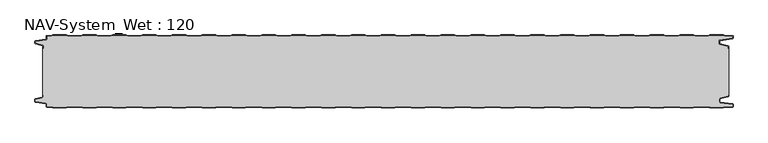
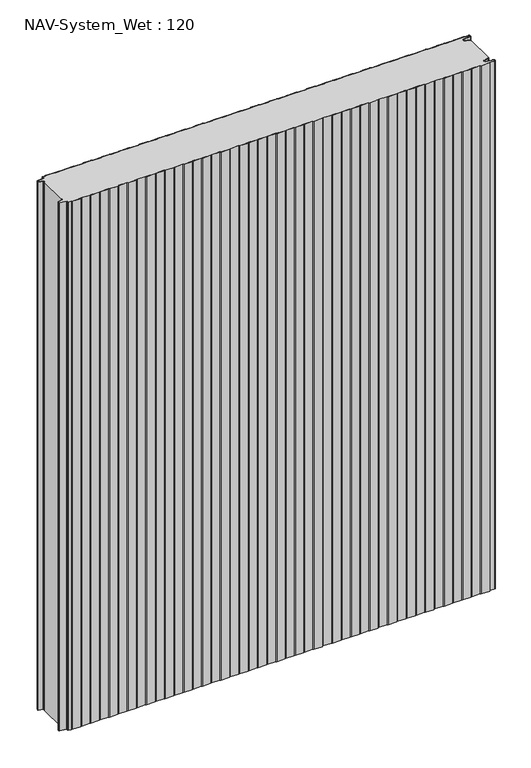
"""IFC4 building model written with IfcOpenShell, lengths in millimetres: plate geometry, NAV-System_Wet : 120."""

import ifcopenshell
import ifcopenshell.guid

model = None  # the IFC model being written
_history = None  # IfcOwnerHistory: only IFC2X3 demands one
_inside = {}  # id of a spatial element -> (the spatial element, [elements in it])
_under = {}  # id of a project, library or spatial element -> (it, [spatial elements below it])
_declared = {}  # id of a project -> (the project, [libraries it declares])
_typed = {}  # id of a type object -> (the type object, [elements of that type])
_made_of = {}  # id of a material, layer set ... -> (it, [elements and type objects made of it])


def new_model(schema):
    """Start an empty IFC model of exactly this schema.

    Asked for "IFC4X3", IfcOpenShell would pick the latest addendum, in which some entities
    have other attributes; the version numbers below select the first issue.
    IFC2X3 requires an IfcOwnerHistory on every rooted entity: one is made here for all.
    """
    global model, _history
    if schema == "IFC4X3":
        model = ifcopenshell.file(schema_version=(4, 3, 0, 0))
    else:
        model = ifcopenshell.file(schema=schema)
    _inside.clear()
    _under.clear()
    _declared.clear()
    _typed.clear()
    _made_of.clear()
    _history = None
    if model.schema == "IFC2X3":
        org = make("IfcOrganization", Name="unknown")
        user = make(
            "IfcPersonAndOrganization",
            ThePerson=make("IfcPerson", FamilyName="unknown"),
            TheOrganization=org,
        )
        app = make(
            "IfcApplication",
            ApplicationDeveloper=org,
            Version="unknown",
            ApplicationFullName="unknown",
            ApplicationIdentifier="unknown",
        )
        _history = make(
            "IfcOwnerHistory",
            OwningUser=user,
            OwningApplication=app,
            ChangeAction="ADDED",
            CreationDate=0,
        )
    return model


def make(cls, **values):
    """One entity of the class cls with the attributes given. An attribute that is None is left unset."""
    return model.create_entity(
        cls, **{name: value for name, value in values.items() if value is not None}
    )


def rooted(cls, **values):
    """An entity with a GlobalId (a new one), such as an element, a storey or a relation."""
    return make(cls, GlobalId=ifcopenshell.guid.new(), OwnerHistory=_history, **values)


def si_unit(unit_type, name, prefix=None):
    """IfcSIUnit, for example si_unit("LENGTHUNIT", "METRE", prefix="MILLI")."""
    return make("IfcSIUnit", UnitType=unit_type, Prefix=prefix, Name=name)


def assignment(units):
    """IfcUnitAssignment: the units of a project."""
    return None if units is None else make("IfcUnitAssignment", Units=units)


def point(xyz):
    """IfcCartesianPoint."""
    return None if xyz is None else make("IfcCartesianPoint", Coordinates=xyz)


def direction(xyz):
    """IfcDirection."""
    return None if xyz is None else make("IfcDirection", DirectionRatios=xyz)


def frame(location, z_axis=None, x_axis=None):
    """IfcAxis2Placement3D, a coordinate frame: its origin and axes. An axis left out is left unset."""
    return make(
        "IfcAxis2Placement3D",
        Location=point(location),
        Axis=direction(z_axis),
        RefDirection=direction(x_axis),
    )


def frame_2d(location, x_axis=None):
    """IfcAxis2Placement2D, a coordinate frame in the plane: its origin and x axis."""
    return make(
        "IfcAxis2Placement2D", Location=point(location), RefDirection=direction(x_axis)
    )


def origin():
    """The frame at (0, 0, 0) with its axes left unset."""
    return frame((0.0, 0.0, 0.0))


def origin_with_axes():
    """The frame at (0, 0, 0) with the z axis (0, 0, 1) and the x axis (1, 0, 0) written out."""
    return frame((0.0, 0.0, 0.0), z_axis=(0.0, 0.0, 1.0), x_axis=(1.0, 0.0, 0.0))


def place(relative_to, where):
    """IfcLocalPlacement: puts the frame where relative to a parent placement (None: the world)."""
    return make(
        "IfcLocalPlacement", PlacementRelTo=relative_to, RelativePlacement=where
    )


def context(
    kind, dimensions, precision=None, world=None, true_north=None, identifier=None
):
    """IfcGeometricRepresentationContext, for example the 3D "Model" context."""
    return make(
        "IfcGeometricRepresentationContext",
        ContextIdentifier=identifier,
        ContextType=kind,
        CoordinateSpaceDimension=dimensions,
        Precision=precision,
        WorldCoordinateSystem=world,
        TrueNorth=true_north,
    )


def project(units=None, contexts=None):
    """IfcProject with its units and contexts."""
    return rooted(
        "IfcProject",
        Name="project",
        RepresentationContexts=contexts,
        UnitsInContext=assignment(units),
    )


def spatial(cls, under=None, at=None, **own):
    """A site, building, storey or space (cls), placed at a placement, below another one or the project."""
    s = rooted(cls, ObjectPlacement=at, **own)
    if under is not None:
        _under.setdefault(under.id(), (under, []))[1].append(s)
    return s


def polyline(points):
    """IfcPolyline through the points."""
    return make("IfcPolyline", Points=[point(p) for p in points])


def circle_curve(where, radius):
    """IfcCircle in the frame where."""
    return make("IfcCircle", Position=where, Radius=radius)


def trimmed(basis, trim1, trim2, sense, master):
    """IfcTrimmedCurve: the piece of a basis curve between two trims."""
    return make(
        "IfcTrimmedCurve",
        BasisCurve=basis,
        Trim1=trim1,
        Trim2=trim2,
        SenseAgreement=sense,
        MasterRepresentation=master,
    )


def segment(curve, same_sense, transition):
    """IfcCompositeCurveSegment."""
    return make(
        "IfcCompositeCurveSegment",
        Transition=transition,
        SameSense=same_sense,
        ParentCurve=curve,
    )


def composite_curve(segments, self_intersect=None):
    """IfcCompositeCurve: segments joined end to end."""
    return make("IfcCompositeCurve", Segments=segments, SelfIntersect=self_intersect)


def outline(outer, holes=None, kind="AREA"):
    """IfcArbitraryClosedProfileDef: a profile drawn as a closed curve; with holes, ...WithVoids."""
    if holes is None:
        return make("IfcArbitraryClosedProfileDef", ProfileType=kind, OuterCurve=outer)
    return make(
        "IfcArbitraryProfileDefWithVoids",
        ProfileType=kind,
        OuterCurve=outer,
        InnerCurves=holes,
    )


def extrude(swept, where, along, depth):
    """IfcExtrudedAreaSolid: the profile swept, set in the frame where, extruded along a direction by depth."""
    return make(
        "IfcExtrudedAreaSolid",
        SweptArea=swept,
        Position=where,
        ExtrudedDirection=direction(along),
        Depth=depth,
    )


def shape(context_of_items, identifier, shape_type, items):
    """IfcShapeRepresentation: the items that make up one representation, for example the "Body"."""
    return make(
        "IfcShapeRepresentation",
        ContextOfItems=context_of_items,
        RepresentationIdentifier=identifier,
        RepresentationType=shape_type,
        Items=items,
    )


def source(mapping_origin, context_of_items, identifier, shape_type, items):
    """IfcRepresentationMap: a shape defined once, which mapped items show again and again."""
    return make(
        "IfcRepresentationMap",
        MappingOrigin=mapping_origin,
        MappedRepresentation=shape(context_of_items, identifier, shape_type, items),
    )


def transform(
    local_origin,
    x_axis=None,
    y_axis=None,
    z_axis=None,
    scale=None,
    scale2=None,
    scale3=None,
    uniform=True,
):
    """IfcCartesianTransformationOperator3D, or its non-uniform kind. x_axis, y_axis, z_axis: its Axis1, 2, 3."""
    if uniform:
        return make(
            "IfcCartesianTransformationOperator3D",
            Axis1=direction(x_axis),
            Axis2=direction(y_axis),
            LocalOrigin=point(local_origin),
            Scale=scale,
            Axis3=direction(z_axis),
        )
    return make(
        "IfcCartesianTransformationOperator3DnonUniform",
        Axis1=direction(x_axis),
        Axis2=direction(y_axis),
        LocalOrigin=point(local_origin),
        Scale=scale,
        Axis3=direction(z_axis),
        Scale2=scale2,
        Scale3=scale3,
    )


def mapped(mapping_source, mapping_target):
    """IfcMappedItem: shows the shape of a source again, moved by a transform."""
    return make(
        "IfcMappedItem", MappingSource=mapping_source, MappingTarget=mapping_target
    )


def made_of(thing, what):
    """Note that an element or type object is made of a material, layer set ...; save() writes the relation."""
    if what is not None:
        _made_of.setdefault(what.id(), (what, []))[1].append(thing)
    return thing


def element(
    cls,
    number,
    at=None,
    inside=None,
    cuts=None,
    type_object=None,
    material=None,
    context=None,
    identifier="Body",
    shape_type=None,
    held_by="IfcProductDefinitionShape",
    body=None,
    shapes=None,
    **own,
):
    """One element of the class cls, such as IfcWall. Its Tag is "e" and its number.

    at: its placement. inside: the storey or other place that contains it. cuts: it is an
    opening in that element (IfcRelVoidsElement). A single representation is given by context,
    identifier, shape_type and body (its items); several are given by shapes. held_by: the class
    of the entity that holds the representations. save() writes the other relations.
    """
    e = rooted(cls, Tag="e%d" % number, ObjectPlacement=at, **own)
    if body is not None:
        shapes = [shape(context, identifier, shape_type, body)]
    if shapes is not None:
        e.Representation = make(held_by, Representations=shapes)
    if inside is not None:
        _inside.setdefault(inside.id(), (inside, []))[1].append(e)
    if cuts is not None:
        rooted(
            "IfcRelVoidsElement", RelatingBuildingElement=cuts, RelatedOpeningElement=e
        )
    if type_object is not None:
        _typed.setdefault(type_object.id(), (type_object, []))[1].append(e)
    return made_of(e, material)


def aggregate(whole, parts):
    """IfcRelAggregates: a whole, such as a stair, and the parts it consists of."""
    return rooted("IfcRelAggregates", RelatingObject=whole, RelatedObjects=parts)


def save(model, path):
    """Write the relations noted so far, then the file.

    IfcRelAggregates (storeys below a building ...), IfcRelContainedInSpatialStructure (elements
    in a storey), IfcRelDefinesByType, IfcRelAssociatesMaterial and IfcRelDeclares: one each for
    every whole, place, type object, material and project.
    """
    for whole, parts in _under.values():
        aggregate(whole, parts)
    for where, things in _inside.values():
        rooted(
            "IfcRelContainedInSpatialStructure",
            RelatedElements=things,
            RelatingStructure=where,
        )
    for kind, things in _typed.values():
        rooted("IfcRelDefinesByType", RelatedObjects=things, RelatingType=kind)
    for what, things in _made_of.values():
        rooted("IfcRelAssociatesMaterial", RelatedObjects=things, RelatingMaterial=what)
    for by, libraries in _declared.values():
        rooted("IfcRelDeclares", RelatingContext=by, RelatedDefinitions=libraries)
    model.write(path)


def nav_system_wet_120_096724c9(model_context):
    return source(origin(), model_context, "Body", "SweptSolid", [
        extrude(outline(composite_curve([segment(polyline([(430.3684327, -0.8), (427.3684327, 0.2), (405.3684327, 0.2), (402.3684327, -0.8), (380.3684327, -0.8), (377.3684327, 0.2), (355.3684327, 0.2), (352.3684327, -0.8), (330.3684327, -0.8), (327.3684327, 0.2), (305.3684327, 0.2), (302.3684327, -0.8), (280.3684327, -0.8), (277.3684327, 0.2), (255.3684327, 0.2), (252.3684327, -0.8), (230.3684327, -0.8), (227.3684327, 0.2), (205.3684327, 0.2), (202.3684327, -0.8), (180.3684327, -0.8), (177.3684327, 0.2), (155.3684327, 0.2), (152.3684327, -0.8), (130.3684327, -0.8), (127.3684327, 0.2), (105.3684327, 0.2), (102.3684327, -0.8), (80.3684327, -0.8), (77.3684327, 0.2), (55.3684327, 0.2), (52.3684327, -0.8), (30.3684327, -0.8), (27.3684327, 0.2), (5.3684327, 0.2), (2.3684327, -0.8), (-19.6315673, -0.8), (-22.6315673, 0.2), (-44.6315673, 0.2), (-47.6315673, -0.8), (-69.6315673, -0.8), (-72.6315673, 0.2), (-94.6315673, 0.2), (-97.6315673, -0.8), (-119.6315673, -0.8), (-122.6315673, 0.2), (-144.6315673, 0.2), (-147.6315673, -0.8), (-169.6315673, -0.8), (-172.6315673, 0.2), (-194.6315673, 0.2), (-197.6315673, -0.8), (-219.6315673, -0.8), (-222.6315673, 0.2), (-244.6315673, 0.2), (-247.6315673, -0.8), (-269.6315673, -0.8), (-272.6315673, 0.2), (-294.6315673, 0.2), (-297.6315673, -0.8), (-319.6315673, -0.8), (-322.6315673, 0.2), (-344.6315673, 0.2), (-347.6315673, -0.8), (-369.6315673, -0.8), (-372.6315673, 0.2), (-394.6315673, 0.2), (-397.6315673, -0.8), (-419.6315673, -0.8), (-422.6315673, 0.2), (-444.6315673, 0.2), (-447.6315673, -0.8), (-469.6315673, -0.8), (-472.6315673, 0.2), (-494.6315673, 0.2), (-497.6315673, -0.8), (-519.6315673, -0.8), (-522.6315673, 0.2), (-544.6315673, 0.2), (-547.6315673, -0.8), (-554.7, -0.8)]), True, "CONTINUOUS"), segment(trimmed(circle_curve(frame_2d((-554.7, -1.3)), 0.5), [point((-554.7, -0.8))], [point((-555.2, -1.3))], True, "CARTESIAN"), True, "CONTINUOUS"), segment(polyline([(-555.2, -1.3), (-555.2, -5.3964683)]), True, "CONTINUOUS"), segment(trimmed(circle_curve(frame_2d((-556.7, -5.3964683)), 1.5), [point((-555.2, -5.3964683))], [point((-556.4911207, -6.8818536))], False, "CARTESIAN"), True, "CONTINUOUS"), segment(polyline([(-556.4911207, -6.8818536), (-573.4352183, -9.2645825)]), True, "CONTINUOUS"), segment(trimmed(circle_curve(frame_2d((-573.3114909, -10.1444347)), 0.8885091), [point((-573.4352183, -9.2645825))], [point((-574.2, -10.1444347))], True, "CARTESIAN"), True, "CONTINUOUS"), segment(polyline([(-574.2, -10.1444347), (-574.2, -12.46995)]), True, "CONTINUOUS"), segment(trimmed(circle_curve(frame_2d((-573.6, -12.46995)), 0.6), [point((-574.2, -12.46995))], [point((-573.7552914, -13.0495055))], True, "CARTESIAN"), True, "CONTINUOUS"), segment(polyline([(-573.7552914, -13.0495055), (-562.3785632, -16.0978907)]), True, "CONTINUOUS"), segment(trimmed(circle_curve(frame_2d((-562.7667917, -17.5467794)), 1.5), [point((-562.3785632, -16.0978907))], [point((-561.2667917, -17.5467794))], False, "CARTESIAN"), True, "CONTINUOUS"), segment(polyline([(-561.2667917, -17.5467794), (-561.2667917, -21.0096505), (-562.0667917, -21.0096505), (-562.0667917, -17.5467794)]), True, "CONTINUOUS"), segment(trimmed(circle_curve(frame_2d((-562.7667917, -17.5467794)), 0.7), [point((-562.0667917, -17.5467794))], [point((-562.5856184, -16.8706313))], True, "CARTESIAN"), True, "CONTINUOUS"), segment(polyline([(-562.5856184, -16.8706313), (-574.0364648, -13.8023863)]), True, "CONTINUOUS"), segment(trimmed(circle_curve(frame_2d((-573.7, -12.5466827)), 1.3), [point((-574.0364648, -13.8023863))], [point((-575.0, -12.5466827))], False, "CARTESIAN"), True, "CONTINUOUS"), segment(polyline([(-575.0, -12.5466827), (-575.0, -9.8067363)]), True, "CONTINUOUS"), segment(trimmed(circle_curve(frame_2d((-573.7, -9.8067363)), 1.3), [point((-575.0, -9.8067363))], [point((-573.8810287, -8.5194024))], False, "CARTESIAN"), True, "CONTINUOUS"), segment(polyline([(-573.8810287, -8.5194024), (-556.602523, -6.0896481)]), True, "CONTINUOUS"), segment(trimmed(circle_curve(frame_2d((-556.7, -5.3964683)), 0.7), [point((-556.602523, -6.0896481))], [point((-556.0, -5.3964683))], True, "CARTESIAN"), True, "CONTINUOUS"), segment(polyline([(-556.0, -5.3964683), (-556.0, -1.3)]), True, "CONTINUOUS"), segment(trimmed(circle_curve(frame_2d((-554.7, -1.3)), 1.3), [point((-556.0, -1.3))], [point((-554.7, 0.0))], False, "CARTESIAN"), True, "CONTINUOUS"), segment(polyline([(-554.7, 0.0), (-547.7613895, 0.0), (-544.7613895, 1.0), (-522.5017452, 1.0), (-519.5017452, 0.0), (-497.7613895, 0.0), (-494.7613895, 1.0), (-472.5017452, 1.0), (-469.5017452, 0.0), (-447.7613895, 0.0), (-444.7613895, 1.0), (-422.5017452, 1.0), (-419.5017452, 0.0), (-397.7613895, 0.0), (-394.7613895, 1.0), (-372.5017452, 1.0), (-369.5017452, 0.0), (-347.7613895, 0.0), (-344.7613895, 1.0), (-322.5017452, 1.0), (-319.5017452, 0.0), (-297.7613895, 0.0), (-294.7613895, 1.0), (-272.5017452, 1.0), (-269.5017452, 0.0), (-247.7613895, 0.0), (-244.7613895, 1.0), (-222.5017452, 1.0), (-219.5017452, 0.0), (-197.7613895, 0.0), (-194.7613895, 1.0), (-172.5017452, 1.0), (-169.5017452, 0.0), (-147.7613895, 0.0), (-144.7613895, 1.0), (-122.5017452, 1.0), (-119.5017452, 0.0), (-97.7613895, 0.0), (-94.7613895, 1.0), (-72.5017452, 1.0), (-69.5017452, 0.0), (-47.7613895, 0.0), (-44.7613895, 1.0), (-22.5017452, 1.0), (-19.5017452, 0.0), (2.2386105, 0.0), (5.2386105, 1.0), (27.4982548, 1.0), (30.4982548, 0.0), (52.2386105, 0.0), (55.2386105, 1.0), (77.4982548, 1.0), (80.4982548, 0.0), (102.2386105, 0.0), (105.2386105, 1.0), (127.4982548, 1.0), (130.4982548, 0.0), (152.2386105, 0.0), (155.2386105, 1.0), (177.4982548, 1.0), (180.4982548, 0.0), (202.2386105, 0.0), (205.2386105, 1.0), (227.4982548, 1.0), (230.4982548, 0.0), (252.2386105, 0.0), (255.2386105, 1.0), (277.4982548, 1.0), (280.4982548, 0.0), (302.2386105, 0.0), (305.2386105, 1.0), (327.4982548, 1.0), (330.4982548, 0.0), (352.2386105, 0.0), (355.2386105, 1.0), (377.4982548, 1.0), (380.4982548, 0.0), (402.2386105, 0.0), (405.2386105, 1.0), (427.4982548, 1.0), (430.4982548, 0.0), (452.2386105, 0.0), (455.2386105, 1.0), (477.4982548, 1.0), (480.4982548, 0.0), (502.2386105, 0.0), (505.2386105, 1.0), (527.4982548, 1.0), (530.4982548, 0.0), (552.2386105, 0.0), (555.2386105, 1.0), (577.4982548, 1.0), (580.4982548, 0.0), (592.7, 0.0)]), True, "CONTINUOUS"), segment(trimmed(circle_curve(frame_2d((592.7, -1.3)), 1.3), [point((592.7, 0.0))], [point((594.0, -1.3))], False, "CARTESIAN"), True, "CONTINUOUS"), segment(polyline([(594.0, -1.3), (594.0, -4.3700191)]), True, "CONTINUOUS"), segment(trimmed(circle_curve(frame_2d((592.7, -4.3700191)), 1.3), [point((594.0, -4.3700191))], [point((592.8810287, -5.657353))], False, "CARTESIAN"), True, "CONTINUOUS"), segment(polyline([(592.8810287, -5.657353), (572.102523, -8.5792877)]), True, "CONTINUOUS"), segment(trimmed(circle_curve(frame_2d((572.2, -9.2724675)), 0.7), [point((572.102523, -8.5792877))], [point((571.5, -9.2724675))], True, "CARTESIAN"), True, "CONTINUOUS"), segment(polyline([(571.5, -9.2724675), (571.5, -13.0812756)]), True, "CONTINUOUS"), segment(trimmed(circle_curve(frame_2d((572.2, -13.0812756)), 0.7), [point((571.5, -13.0812756))], [point((572.0188267, -13.7574237))], True, "CARTESIAN"), True, "CONTINUOUS"), segment(polyline([(572.0188267, -13.7574237), (585.4205101, -17.3483939)]), True, "CONTINUOUS"), segment(trimmed(circle_curve(frame_2d((585.0840453, -18.6040975)), 1.3), [point((585.4205101, -17.3483939))], [point((586.3840453, -18.6040975))], False, "CARTESIAN"), True, "CONTINUOUS"), segment(polyline([(586.3840453, -18.6040975), (586.3840453, -21.0096505), (585.5840453, -21.0096505), (585.5840453, -18.6808302)]), True, "CONTINUOUS"), segment(trimmed(circle_curve(frame_2d((584.9840453, -18.6808302)), 0.6), [point((585.5840453, -18.6808302))], [point((585.1393367, -18.1012747))], True, "CARTESIAN"), True, "CONTINUOUS"), segment(polyline([(585.1393367, -18.1012747), (571.8117714, -14.5301644)]), True, "CONTINUOUS"), segment(trimmed(circle_curve(frame_2d((572.2, -13.0812756)), 1.5), [point((571.8117714, -14.5301644))], [point((570.7, -13.0812756))], False, "CARTESIAN"), True, "CONTINUOUS"), segment(polyline([(570.7, -13.0812756), (570.7, -9.2724675)]), True, "CONTINUOUS"), segment(trimmed(circle_curve(frame_2d((572.2, -9.2724675)), 1.5), [point((570.7, -9.2724675))], [point((571.9911207, -7.7870822))], False, "CARTESIAN"), True, "CONTINUOUS"), segment(polyline([(571.9911207, -7.7870822), (592.6835517, -4.8772516)]), True, "CONTINUOUS"), segment(trimmed(circle_curve(frame_2d((592.6, -4.2830975)), 0.6), [point((592.6835517, -4.8772516))], [point((593.2, -4.2830975))], True, "CARTESIAN"), True, "CONTINUOUS"), segment(polyline([(593.2, -4.2830975), (593.2, -1.3)]), True, "CONTINUOUS"), segment(trimmed(circle_curve(frame_2d((592.7, -1.3)), 0.5), [point((593.2, -1.3))], [point((592.7, -0.8))], True, "CARTESIAN"), True, "CONTINUOUS"), segment(polyline([(592.7, -0.8), (580.3684327, -0.8), (577.3684327, 0.2), (555.3684327, 0.2), (552.3684327, -0.8), (530.3684327, -0.8), (527.3684327, 0.2), (505.3684327, 0.2), (502.3684327, -0.8), (480.3684327, -0.8), (477.3684327, 0.2), (455.3684327, 0.2), (452.3684327, -0.8), (430.3684327, -0.8)]), True, "CONTINUOUS")], self_intersect=False)), origin_with_axes(), (0.0, 0.0, 1.0), 1500.0),
        extrude(outline(composite_curve([segment(polyline([(430.3684327, -0.8), (452.3684327, -0.8), (455.3684327, 0.2), (477.3684327, 0.2), (480.3684327, -0.8), (502.3684327, -0.8), (505.3684327, 0.2), (527.3684327, 0.2), (530.3684327, -0.8), (552.3684327, -0.8), (555.3684327, 0.2), (577.3684327, 0.2), (580.3684327, -0.8), (592.7, -0.8)]), True, "CONTINUOUS"), segment(trimmed(circle_curve(frame_2d((592.7, -1.3)), 0.5), [point((592.7, -0.8))], [point((593.2, -1.3))], False, "CARTESIAN"), True, "CONTINUOUS"), segment(polyline([(593.2, -1.3), (593.2, -4.2830975)]), True, "CONTINUOUS"), segment(trimmed(circle_curve(frame_2d((592.6, -4.2830975)), 0.6), [point((593.2, -4.2830975))], [point((592.6835517, -4.8772516))], False, "CARTESIAN"), True, "CONTINUOUS"), segment(polyline([(592.6835517, -4.8772516), (571.9911207, -7.7870822)]), True, "CONTINUOUS"), segment(trimmed(circle_curve(frame_2d((572.2, -9.2724675)), 1.5), [point((571.9911207, -7.7870822))], [point((570.7, -9.2724675))], True, "CARTESIAN"), True, "CONTINUOUS"), segment(polyline([(570.7, -9.2724675), (570.7, -13.0812756)]), True, "CONTINUOUS"), segment(trimmed(circle_curve(frame_2d((572.2, -13.0812756)), 1.5), [point((570.7, -13.0812756))], [point((571.8117714, -14.5301644))], True, "CARTESIAN"), True, "CONTINUOUS"), segment(polyline([(571.8117714, -14.5301644), (585.1393367, -18.1012747)]), True, "CONTINUOUS"), segment(trimmed(circle_curve(frame_2d((584.9840453, -18.6808302)), 0.6), [point((585.1393367, -18.1012747))], [point((585.5840453, -18.6808302))], False, "CARTESIAN"), True, "CONTINUOUS"), segment(polyline([(585.5840453, -18.6808302), (585.5840453, -21.0096505), (586.3840453, -21.0096505), (586.3840453, -98.9903495), (585.5840453, -98.9903495), (585.5840453, -101.3191698)]), True, "CONTINUOUS"), segment(trimmed(circle_curve(frame_2d((584.9840453, -101.3191698)), 0.6), [point((585.5840453, -101.3191698))], [point((585.1393367, -101.8987253))], False, "CARTESIAN"), True, "CONTINUOUS"), segment(polyline([(585.1393367, -101.8987253), (571.8117714, -105.4698356)]), True, "CONTINUOUS"), segment(trimmed(circle_curve(frame_2d((572.2, -106.9187244)), 1.5), [point((571.8117714, -105.4698356))], [point((570.7, -106.9187244))], True, "CARTESIAN"), True, "CONTINUOUS"), segment(polyline([(570.7, -106.9187244), (570.7, -110.7275325)]), True, "CONTINUOUS"), segment(trimmed(circle_curve(frame_2d((572.2, -110.7275325)), 1.5), [point((570.7, -110.7275325))], [point((571.9911207, -112.2129178))], True, "CARTESIAN"), True, "CONTINUOUS"), segment(polyline([(571.9911207, -112.2129178), (592.6835517, -115.1227484)]), True, "CONTINUOUS"), segment(trimmed(circle_curve(frame_2d((592.6, -115.7169025)), 0.6), [point((592.6835517, -115.1227484))], [point((593.2, -115.7169025))], False, "CARTESIAN"), True, "CONTINUOUS"), segment(polyline([(593.2, -115.7169025), (593.2, -118.7)]), True, "CONTINUOUS"), segment(trimmed(circle_curve(frame_2d((592.7, -118.7)), 0.5), [point((593.2, -118.7))], [point((592.7, -119.2))], False, "CARTESIAN"), True, "CONTINUOUS"), segment(polyline([(592.7, -119.2), (580.3684327, -119.2), (577.3684327, -120.2), (555.3684327, -120.2), (552.3684327, -119.2), (530.3684327, -119.2), (527.3684327, -120.2), (505.3684327, -120.2), (502.3684327, -119.2), (480.3684327, -119.2), (477.3684327, -120.2), (455.3684327, -120.2), (452.3684327, -119.2), (430.3684327, -119.2), (427.3684327, -120.2), (405.3684327, -120.2), (402.3684327, -119.2), (380.3684327, -119.2), (377.3684327, -120.2), (355.3684327, -120.2), (352.3684327, -119.2), (330.3684327, -119.2), (327.3684327, -120.2), (305.3684327, -120.2), (302.3684327, -119.2), (280.3684327, -119.2), (277.3684327, -120.2), (255.3684327, -120.2), (252.3684327, -119.2), (230.3684327, -119.2), (227.3684327, -120.2), (205.3684327, -120.2), (202.3684327, -119.2), (180.3684327, -119.2), (177.3684327, -120.2), (155.3684327, -120.2), (152.3684327, -119.2), (130.3684327, -119.2), (127.3684327, -120.2), (105.3684327, -120.2), (102.3684327, -119.2), (80.3684327, -119.2), (77.3684327, -120.2), (55.3684327, -120.2), (52.3684327, -119.2), (30.3684327, -119.2), (27.3684327, -120.2), (5.3684327, -120.2), (2.3684327, -119.2), (-19.6315673, -119.2), (-22.6315673, -120.2), (-44.6315673, -120.2), (-47.6315673, -119.2), (-69.6315673, -119.2), (-72.6315673, -120.2), (-94.6315673, -120.2), (-97.6315673, -119.2), (-119.6315673, -119.2), (-122.6315673, -120.2), (-144.6315673, -120.2), (-147.6315673, -119.2), (-169.6315673, -119.2), (-172.6315673, -120.2), (-194.6315673, -120.2), (-197.6315673, -119.2), (-219.6315673, -119.2), (-222.6315673, -120.2), (-244.6315673, -120.2), (-247.6315673, -119.2), (-269.6315673, -119.2), (-272.6315673, -120.2), (-294.6315673, -120.2), (-297.6315673, -119.2), (-319.6315673, -119.2), (-322.6315673, -120.2), (-344.6315673, -120.2), (-347.6315673, -119.2), (-369.6315673, -119.2), (-372.6315673, -120.2), (-394.6315673, -120.2), (-397.6315673, -119.2), (-419.6315673, -119.2), (-422.6315673, -120.2), (-444.6315673, -120.2), (-447.6315673, -119.2), (-469.6315673, -119.2), (-472.6315673, -120.2), (-494.6315673, -120.2), (-497.6315673, -119.2), (-519.6315673, -119.2), (-522.6315673, -120.2), (-544.6315673, -120.2), (-547.6315673, -119.2), (-554.7, -119.2)]), True, "CONTINUOUS"), segment(trimmed(circle_curve(frame_2d((-554.7, -118.7)), 0.5), [point((-554.7, -119.2))], [point((-555.2, -118.7))], False, "CARTESIAN"), True, "CONTINUOUS"), segment(polyline([(-555.2, -118.7), (-555.2, -114.6035317)]), True, "CONTINUOUS"), segment(trimmed(circle_curve(frame_2d((-556.7, -114.6035317)), 1.5), [point((-555.2, -114.6035317))], [point((-556.4911207, -113.1181464))], True, "CARTESIAN"), True, "CONTINUOUS"), segment(polyline([(-556.4911207, -113.1181464), (-573.4352183, -110.7354175)]), True, "CONTINUOUS"), segment(trimmed(circle_curve(frame_2d((-573.3114909, -109.8555653)), 0.8885091), [point((-573.4352183, -110.7354175))], [point((-574.2, -109.8555653))], False, "CARTESIAN"), True, "CONTINUOUS"), segment(polyline([(-574.2, -109.8555653), (-574.2, -107.53005)]), True, "CONTINUOUS"), segment(trimmed(circle_curve(frame_2d((-573.6, -107.53005)), 0.6), [point((-574.2, -107.53005))], [point((-573.7552914, -106.9504945))], False, "CARTESIAN"), True, "CONTINUOUS"), segment(polyline([(-573.7552914, -106.9504945), (-562.3785632, -103.9021093)]), True, "CONTINUOUS"), segment(trimmed(circle_curve(frame_2d((-562.7667917, -102.4532206)), 1.5), [point((-562.3785632, -103.9021093))], [point((-561.2667917, -102.4532206))], True, "CARTESIAN"), True, "CONTINUOUS"), segment(polyline([(-561.2667917, -102.4532206), (-561.2667917, -98.9903495), (-562.0667917, -98.9903495), (-562.0667917, -21.0096505), (-561.2667917, -21.0096505), (-561.2667917, -17.5467794)]), True, "CONTINUOUS"), segment(trimmed(circle_curve(frame_2d((-562.7667917, -17.5467794)), 1.5), [point((-561.2667917, -17.5467794))], [point((-562.3785632, -16.0978907))], True, "CARTESIAN"), True, "CONTINUOUS"), segment(polyline([(-562.3785632, -16.0978907), (-573.7552914, -13.0495055)]), True, "CONTINUOUS"), segment(trimmed(circle_curve(frame_2d((-573.6, -12.46995)), 0.6), [point((-573.7552914, -13.0495055))], [point((-574.2, -12.46995))], False, "CARTESIAN"), True, "CONTINUOUS"), segment(polyline([(-574.2, -12.46995), (-574.2, -10.1444347)]), True, "CONTINUOUS"), segment(trimmed(circle_curve(frame_2d((-573.3114909, -10.1444347)), 0.8885091), [point((-574.2, -10.1444347))], [point((-573.4352183, -9.2645825))], False, "CARTESIAN"), True, "CONTINUOUS"), segment(polyline([(-573.4352183, -9.2645825), (-556.4911207, -6.8818536)]), True, "CONTINUOUS"), segment(trimmed(circle_curve(frame_2d((-556.7, -5.3964683)), 1.5), [point((-556.4911207, -6.8818536))], [point((-555.2, -5.3964683))], True, "CARTESIAN"), True, "CONTINUOUS"), segment(polyline([(-555.2, -5.3964683), (-555.2, -1.3)]), True, "CONTINUOUS"), segment(trimmed(circle_curve(frame_2d((-554.7, -1.3)), 0.5), [point((-555.2, -1.3))], [point((-554.7, -0.8))], False, "CARTESIAN"), True, "CONTINUOUS"), segment(polyline([(-554.7, -0.8), (-547.6315673, -0.8), (-544.6315673, 0.2), (-522.6315673, 0.2), (-519.6315673, -0.8), (-497.6315673, -0.8), (-494.6315673, 0.2), (-472.6315673, 0.2), (-469.6315673, -0.8), (-447.6315673, -0.8), (-444.6315673, 0.2), (-422.6315673, 0.2), (-419.6315673, -0.8), (-397.6315673, -0.8), (-394.6315673, 0.2), (-372.6315673, 0.2), (-369.6315673, -0.8), (-347.6315673, -0.8), (-344.6315673, 0.2), (-322.6315673, 0.2), (-319.6315673, -0.8), (-297.6315673, -0.8), (-294.6315673, 0.2), (-272.6315673, 0.2), (-269.6315673, -0.8), (-247.6315673, -0.8), (-244.6315673, 0.2), (-222.6315673, 0.2), (-219.6315673, -0.8), (-197.6315673, -0.8), (-194.6315673, 0.2), (-172.6315673, 0.2), (-169.6315673, -0.8), (-147.6315673, -0.8), (-144.6315673, 0.2), (-122.6315673, 0.2), (-119.6315673, -0.8), (-97.6315673, -0.8), (-94.6315673, 0.2), (-72.6315673, 0.2), (-69.6315673, -0.8), (-47.6315673, -0.8), (-44.6315673, 0.2), (-22.6315673, 0.2), (-19.6315673, -0.8), (2.3684327, -0.8), (5.3684327, 0.2), (27.3684327, 0.2), (30.3684327, -0.8), (52.3684327, -0.8), (55.3684327, 0.2), (77.3684327, 0.2), (80.3684327, -0.8), (102.3684327, -0.8), (105.3684327, 0.2), (127.3684327, 0.2), (130.3684327, -0.8), (152.3684327, -0.8), (155.3684327, 0.2), (177.3684327, 0.2), (180.3684327, -0.8), (202.3684327, -0.8), (205.3684327, 0.2), (227.3684327, 0.2), (230.3684327, -0.8), (252.3684327, -0.8), (255.3684327, 0.2), (277.3684327, 0.2), (280.3684327, -0.8), (302.3684327, -0.8), (305.3684327, 0.2), (327.3684327, 0.2), (330.3684327, -0.8), (352.3684327, -0.8), (355.3684327, 0.2), (377.3684327, 0.2), (380.3684327, -0.8), (402.3684327, -0.8), (405.3684327, 0.2), (427.3684327, 0.2), (430.3684327, -0.8)]), True, "CONTINUOUS")], self_intersect=False)), origin_with_axes(), (0.0, 0.0, 1.0), 1500.0),
        extrude(outline(composite_curve([segment(polyline([(430.3684327, -119.2), (452.3684327, -119.2), (455.3684327, -120.2), (477.3684327, -120.2), (480.3684327, -119.2), (502.3684327, -119.2), (505.3684327, -120.2), (527.3684327, -120.2), (530.3684327, -119.2), (552.3684327, -119.2), (555.3684327, -120.2), (577.3684327, -120.2), (580.3684327, -119.2), (592.7, -119.2)]), True, "CONTINUOUS"), segment(trimmed(circle_curve(frame_2d((592.7, -118.7)), 0.5), [point((592.7, -119.2))], [point((593.2, -118.7))], True, "CARTESIAN"), True, "CONTINUOUS"), segment(polyline([(593.2, -118.7), (593.2, -115.7169025)]), True, "CONTINUOUS"), segment(trimmed(circle_curve(frame_2d((592.6, -115.7169025)), 0.6), [point((593.2, -115.7169025))], [point((592.6835517, -115.1227484))], True, "CARTESIAN"), True, "CONTINUOUS"), segment(polyline([(592.6835517, -115.1227484), (571.9911207, -112.2129178)]), True, "CONTINUOUS"), segment(trimmed(circle_curve(frame_2d((572.2, -110.7275325)), 1.5), [point((571.9911207, -112.2129178))], [point((570.7, -110.7275325))], False, "CARTESIAN"), True, "CONTINUOUS"), segment(polyline([(570.7, -110.7275325), (570.7, -106.9187244)]), True, "CONTINUOUS"), segment(trimmed(circle_curve(frame_2d((572.2, -106.9187244)), 1.5), [point((570.7, -106.9187244))], [point((571.8117714, -105.4698356))], False, "CARTESIAN"), True, "CONTINUOUS"), segment(polyline([(571.8117714, -105.4698356), (585.1393367, -101.8987253)]), True, "CONTINUOUS"), segment(trimmed(circle_curve(frame_2d((584.9840453, -101.3191698)), 0.6), [point((585.1393367, -101.8987253))], [point((585.5840453, -101.3191698))], True, "CARTESIAN"), True, "CONTINUOUS"), segment(polyline([(585.5840453, -101.3191698), (585.5840453, -98.9903495), (586.3840453, -98.9903495), (586.3840453, -101.3959025)]), True, "CONTINUOUS"), segment(trimmed(circle_curve(frame_2d((585.0840453, -101.3959025)), 1.3), [point((586.3840453, -101.3959025))], [point((585.4205101, -102.6516061))], False, "CARTESIAN"), True, "CONTINUOUS"), segment(polyline([(585.4205101, -102.6516061), (572.0188267, -106.2425763)]), True, "CONTINUOUS"), segment(trimmed(circle_curve(frame_2d((572.2, -106.9187244)), 0.7), [point((572.0188267, -106.2425763))], [point((571.5, -106.9187244))], True, "CARTESIAN"), True, "CONTINUOUS"), segment(polyline([(571.5, -106.9187244), (571.5, -110.7275325)]), True, "CONTINUOUS"), segment(trimmed(circle_curve(frame_2d((572.2, -110.7275325)), 0.7), [point((571.5, -110.7275325))], [point((572.102523, -111.4207123))], True, "CARTESIAN"), True, "CONTINUOUS"), segment(polyline([(572.102523, -111.4207123), (592.8810287, -114.342647)]), True, "CONTINUOUS"), segment(trimmed(circle_curve(frame_2d((592.7, -115.6299809)), 1.3), [point((592.8810287, -114.342647))], [point((594.0, -115.6299809))], False, "CARTESIAN"), True, "CONTINUOUS"), segment(polyline([(594.0, -115.6299809), (594.0, -118.7)]), True, "CONTINUOUS"), segment(trimmed(circle_curve(frame_2d((592.7, -118.7)), 1.3), [point((594.0, -118.7))], [point((592.7, -120.0))], False, "CARTESIAN"), True, "CONTINUOUS"), segment(polyline([(592.7, -120.0), (580.4982548, -120.0), (577.4982548, -121.0), (555.2386105, -121.0), (552.2386105, -120.0), (530.4982548, -120.0), (527.4982548, -121.0), (505.2386105, -121.0), (502.2386105, -120.0), (480.4982548, -120.0), (477.4982548, -121.0), (455.2386105, -121.0), (452.2386105, -120.0), (430.4982548, -120.0), (427.4982548, -121.0), (405.2386105, -121.0), (402.2386105, -120.0), (380.4982548, -120.0), (377.4982548, -121.0), (355.2386105, -121.0), (352.2386105, -120.0), (330.4982548, -120.0), (327.4982548, -121.0), (305.2386105, -121.0), (302.2386105, -120.0), (280.4982548, -120.0), (277.4982548, -121.0), (255.2386105, -121.0), (252.2386105, -120.0), (230.4982548, -120.0), (227.4982548, -121.0), (205.2386105, -121.0), (202.2386105, -120.0), (180.4982548, -120.0), (177.4982548, -121.0), (155.2386105, -121.0), (152.2386105, -120.0), (130.4982548, -120.0), (127.4982548, -121.0), (105.2386105, -121.0), (102.2386105, -120.0), (80.4982548, -120.0), (77.4982548, -121.0), (55.2386105, -121.0), (52.2386105, -120.0), (30.4982548, -120.0), (27.4982548, -121.0), (5.2386105, -121.0), (2.2386105, -120.0), (-19.5017452, -120.0), (-22.5017452, -121.0), (-44.7613895, -121.0), (-47.7613895, -120.0), (-69.5017452, -120.0), (-72.5017452, -121.0), (-94.7613895, -121.0), (-97.7613895, -120.0), (-119.5017452, -120.0), (-122.5017452, -121.0), (-144.7613895, -121.0), (-147.7613895, -120.0), (-169.5017452, -120.0), (-172.5017452, -121.0), (-194.7613895, -121.0), (-197.7613895, -120.0), (-219.5017452, -120.0), (-222.5017452, -121.0), (-244.7613895, -121.0), (-247.7613895, -120.0), (-269.5017452, -120.0), (-272.5017452, -121.0), (-294.7613895, -121.0), (-297.7613895, -120.0), (-319.5017452, -120.0), (-322.5017452, -121.0), (-344.7613895, -121.0), (-347.7613895, -120.0), (-369.5017452, -120.0), (-372.5017452, -121.0), (-394.7613895, -121.0), (-397.7613895, -120.0), (-419.5017452, -120.0), (-422.5017452, -121.0), (-444.7613895, -121.0), (-447.7613895, -120.0), (-469.5017452, -120.0), (-472.5017452, -121.0), (-494.7613895, -121.0), (-497.7613895, -120.0), (-519.5017452, -120.0), (-522.5017452, -121.0), (-544.7613895, -121.0), (-547.7613895, -120.0), (-554.7, -120.0)]), True, "CONTINUOUS"), segment(trimmed(circle_curve(frame_2d((-554.7, -118.7)), 1.3), [point((-554.7, -120.0))], [point((-556.0, -118.7))], False, "CARTESIAN"), True, "CONTINUOUS"), segment(polyline([(-556.0, -118.7), (-556.0, -114.6035317)]), True, "CONTINUOUS"), segment(trimmed(circle_curve(frame_2d((-556.7, -114.6035317)), 0.7), [point((-556.0, -114.6035317))], [point((-556.602523, -113.9103519))], True, "CARTESIAN"), True, "CONTINUOUS"), segment(polyline([(-556.602523, -113.9103519), (-573.8810287, -111.4805976)]), True, "CONTINUOUS"), segment(trimmed(circle_curve(frame_2d((-573.7, -110.1932637)), 1.3), [point((-573.8810287, -111.4805976))], [point((-575.0, -110.1932637))], False, "CARTESIAN"), True, "CONTINUOUS"), segment(polyline([(-575.0, -110.1932637), (-575.0, -107.4533173)]), True, "CONTINUOUS"), segment(trimmed(circle_curve(frame_2d((-573.7, -107.4533173)), 1.3), [point((-575.0, -107.4533173))], [point((-574.0364648, -106.1976137))], False, "CARTESIAN"), True, "CONTINUOUS"), segment(polyline([(-574.0364648, -106.1976137), (-562.5856184, -103.1293687)]), True, "CONTINUOUS"), segment(trimmed(circle_curve(frame_2d((-562.7667917, -102.4532206)), 0.7), [point((-562.5856184, -103.1293687))], [point((-562.0667917, -102.4532206))], True, "CARTESIAN"), True, "CONTINUOUS"), segment(polyline([(-562.0667917, -102.4532206), (-562.0667917, -98.9903495), (-561.2667917, -98.9903495), (-561.2667917, -102.4532206)]), True, "CONTINUOUS"), segment(trimmed(circle_curve(frame_2d((-562.7667917, -102.4532206)), 1.5), [point((-561.2667917, -102.4532206))], [point((-562.3785632, -103.9021093))], False, "CARTESIAN"), True, "CONTINUOUS"), segment(polyline([(-562.3785632, -103.9021093), (-573.7552914, -106.9504945)]), True, "CONTINUOUS"), segment(trimmed(circle_curve(frame_2d((-573.6, -107.53005)), 0.6), [point((-573.7552914, -106.9504945))], [point((-574.2, -107.53005))], True, "CARTESIAN"), True, "CONTINUOUS"), segment(polyline([(-574.2, -107.53005), (-574.2, -109.8555653)]), True, "CONTINUOUS"), segment(trimmed(circle_curve(frame_2d((-573.3114909, -109.8555653)), 0.8885091), [point((-574.2, -109.8555653))], [point((-573.4352183, -110.7354175))], True, "CARTESIAN"), True, "CONTINUOUS"), segment(polyline([(-573.4352183, -110.7354175), (-556.4911207, -113.1181464)]), True, "CONTINUOUS"), segment(trimmed(circle_curve(frame_2d((-556.7, -114.6035317)), 1.5), [point((-556.4911207, -113.1181464))], [point((-555.2, -114.6035317))], False, "CARTESIAN"), True, "CONTINUOUS"), segment(polyline([(-555.2, -114.6035317), (-555.2, -118.7)]), True, "CONTINUOUS"), segment(trimmed(circle_curve(frame_2d((-554.7, -118.7)), 0.5), [point((-555.2, -118.7))], [point((-554.7, -119.2))], True, "CARTESIAN"), True, "CONTINUOUS"), segment(polyline([(-554.7, -119.2), (-547.6315673, -119.2), (-544.6315673, -120.2), (-522.6315673, -120.2), (-519.6315673, -119.2), (-497.6315673, -119.2), (-494.6315673, -120.2), (-472.6315673, -120.2), (-469.6315673, -119.2), (-447.6315673, -119.2), (-444.6315673, -120.2), (-422.6315673, -120.2), (-419.6315673, -119.2), (-397.6315673, -119.2), (-394.6315673, -120.2), (-372.6315673, -120.2), (-369.6315673, -119.2), (-347.6315673, -119.2), (-344.6315673, -120.2), (-322.6315673, -120.2), (-319.6315673, -119.2), (-297.6315673, -119.2), (-294.6315673, -120.2), (-272.6315673, -120.2), (-269.6315673, -119.2), (-247.6315673, -119.2), (-244.6315673, -120.2), (-222.6315673, -120.2), (-219.6315673, -119.2), (-197.6315673, -119.2), (-194.6315673, -120.2), (-172.6315673, -120.2), (-169.6315673, -119.2), (-147.6315673, -119.2), (-144.6315673, -120.2), (-122.6315673, -120.2), (-119.6315673, -119.2), (-97.6315673, -119.2), (-94.6315673, -120.2), (-72.6315673, -120.2), (-69.6315673, -119.2), (-47.6315673, -119.2), (-44.6315673, -120.2), (-22.6315673, -120.2), (-19.6315673, -119.2), (2.3684327, -119.2), (5.3684327, -120.2), (27.3684327, -120.2), (30.3684327, -119.2), (52.3684327, -119.2), (55.3684327, -120.2), (77.3684327, -120.2), (80.3684327, -119.2), (102.3684327, -119.2), (105.3684327, -120.2), (127.3684327, -120.2), (130.3684327, -119.2), (152.3684327, -119.2), (155.3684327, -120.2), (177.3684327, -120.2), (180.3684327, -119.2), (202.3684327, -119.2), (205.3684327, -120.2), (227.3684327, -120.2), (230.3684327, -119.2), (252.3684327, -119.2), (255.3684327, -120.2), (277.3684327, -120.2), (280.3684327, -119.2), (302.3684327, -119.2), (305.3684327, -120.2), (327.3684327, -120.2), (330.3684327, -119.2), (352.3684327, -119.2), (355.3684327, -120.2), (377.3684327, -120.2), (380.3684327, -119.2), (402.3684327, -119.2), (405.3684327, -120.2), (427.3684327, -120.2), (430.3684327, -119.2)]), True, "CONTINUOUS")], self_intersect=False)), origin_with_axes(), (0.0, 0.0, 1.0), 1500.0),
    ])


if __name__ == "__main__":
    model = new_model("IFC4")
    model_context = context("Model", 3, world=origin())
    ifc_project = project(units=[si_unit("LENGTHUNIT", "METRE", prefix="MILLI")], contexts=[model_context])
    site = spatial("IfcSite", under=ifc_project)
    building = spatial("IfcBuilding", under=site)
    placement = place(None, origin())
    nav_system_wet_120_shape = nav_system_wet_120_096724c9(model_context)
    element("IfcPlate", 1, ObjectType="NAV-System_Wet : 120", at=placement, inside=building, context=model_context, shape_type="MappedRepresentation", body=[
        mapped(nav_system_wet_120_shape, transform((0.0, 0.0, 0.0), x_axis=(1.0, 0.0, 0.0), y_axis=(0.0, 1.0, 0.0), z_axis=(0.0, 0.0, 1.0))),
    ])
    save(model, "model.ifc")
